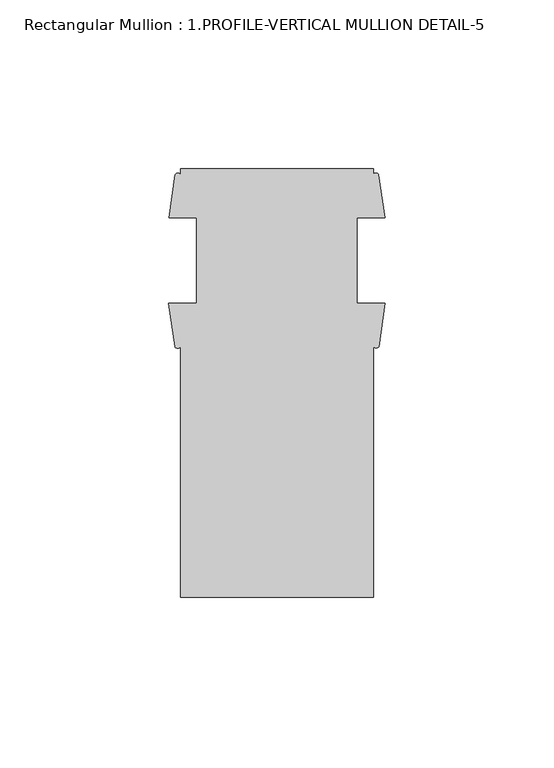
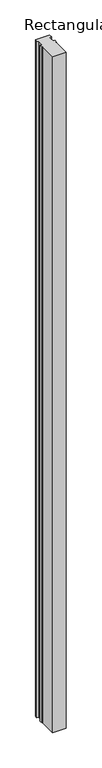
"""IFC4 building model written with IfcOpenShell, lengths in millimetres: member geometry, Rectangular Mullion : 1.PROFILE-VERTICAL MULLION DETAIL-5."""

from ifc_helpers import new_model, si_unit, point, frame, frame_2d, origin, place, context, project, spatial, polyline, circle_curve, trimmed, segment, composite_curve, outline, extrude, source, transform, mapped, element, save


def rectangular_mullion_1_profile_vertical_mullion_detail_5_4d298f62(model_context):
    return source(origin(), model_context, "Body", "SweptSolid", [
        extrude(outline(composite_curve([segment(polyline([(-60.6695217, -46.3488744), (-60.6695217, 27.9745478)]), True, "CONTINUOUS"), segment(trimmed(circle_curve(frame_2d((-61.5012239, 28.5106387)), 0.9895059), [point((-60.6695217, 27.9745478))], [point((-62.3329261, 27.9745478))], False, "CARTESIAN"), True, "CONTINUOUS"), segment(polyline([(-62.3329261, 27.9745478), (-64.1890435, 40.7476006), (-55.9070217, 40.7476006), (-55.9070217, 66.1476006), (-64.0655217, 66.1476006), (-62.255418, 78.9188882)]), True, "CONTINUOUS"), segment(trimmed(circle_curve(frame_2d((-61.4624699, 78.4459614)), 0.9232694), [point((-62.255418, 78.9188882))], [point((-60.6695217, 78.9188882))], False, "CARTESIAN"), True, "CONTINUOUS"), segment(polyline([(-60.6695217, 78.9188882), (-60.6695217, 80.6511256), (-3.5195217, 80.6511256), (-3.5195217, 78.9188882)]), True, "CONTINUOUS"), segment(trimmed(circle_curve(frame_2d((-2.7265736, 78.4625383)), 0.914889), [point((-3.5195217, 78.9188882))], [point((-1.9336255, 78.9188882))], False, "CARTESIAN"), True, "CONTINUOUS"), segment(polyline([(-1.9336255, 78.9188882), (-0.1235217, 66.1476006), (-8.2820217, 66.1476006), (-8.2820217, 40.7476006), (0.0, 40.7476006), (-1.8561173, 27.9745478)]), True, "CONTINUOUS"), segment(trimmed(circle_curve(frame_2d((-2.6878195, 28.5519065)), 1.0124582), [point((-1.8561173, 27.9745478))], [point((-3.5195217, 27.9745478))], False, "CARTESIAN"), True, "CONTINUOUS"), segment(polyline([(-3.5195217, 27.9745478), (-3.5195217, -46.3488744), (-60.6695217, -46.3488744)]), True, "CONTINUOUS")], self_intersect=False)), frame((0.0, 0.0, -3048.0), z_axis=(0.0, 0.0, 1.0), x_axis=(1.0, 0.0, 0.0)), (0.0, 0.0, 1.0), 3048.0),
    ])


if __name__ == "__main__":
    model = new_model("IFC4")
    model_context = context("Model", 3, world=origin())
    ifc_project = project(units=[si_unit("LENGTHUNIT", "METRE", prefix="MILLI")], contexts=[model_context])
    site = spatial("IfcSite", under=ifc_project)
    building = spatial("IfcBuilding", under=site)
    placement = place(None, origin())
    rectangular_mullion_1_profile_vertical_mullion_detail_5_shape = rectangular_mullion_1_profile_vertical_mullion_detail_5_4d298f62(model_context)
    element("IfcMember", 1, ObjectType="Rectangular Mullion : 1.PROFILE-VERTICAL MULLION DETAIL-5", at=placement, inside=building, context=model_context, shape_type="MappedRepresentation", body=[
        mapped(rectangular_mullion_1_profile_vertical_mullion_detail_5_shape, transform((0.0, 0.0, 0.0), x_axis=(1.0, 0.0, 0.0), y_axis=(0.0, 1.0, 0.0), z_axis=(0.0, 0.0, 1.0))),
    ])
    save(model, "model.ifc")
